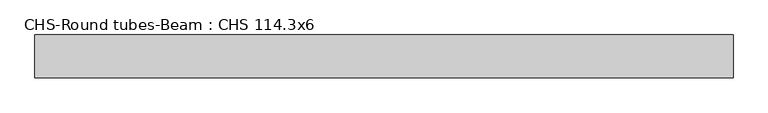
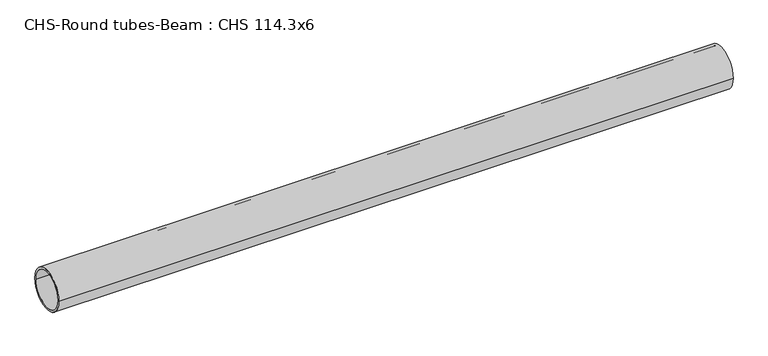
"""IFC4 building model written with IfcOpenShell, lengths in millimetres: beam geometry, CHS-Round tubes-Beam : CHS 114.3x6."""

from ifc_helpers import new_model, si_unit, point, frame, origin, origin_2d, place, context, project, spatial, circle_curve, trimmed, segment, composite_curve, outline, extrude, source, transform, mapped, element, save


def chs_round_tubes_beam_chs_114_3x6_35f76373(model_context):
    return source(origin(), model_context, "Body", "SweptSolid", [
        extrude(outline(composite_curve([segment(trimmed(circle_curve(origin_2d(), 57.15), [point((57.15, 0.0))], [point((-57.15, 0.0))], False, "CARTESIAN"), True, "CONTINUOUS"), segment(trimmed(circle_curve(origin_2d(), 57.15), [point((-57.15, 0.0))], [point((57.15, 0.0))], False, "CARTESIAN"), True, "CONTINUOUS")], self_intersect=False), holes=[composite_curve([segment(trimmed(circle_curve(origin_2d(), 51.15), [point((51.15, 0.0))], [point((-51.15, 0.0))], True, "CARTESIAN"), True, "CONTINUOUS"), segment(trimmed(circle_curve(origin_2d(), 51.15), [point((-51.15, 0.0))], [point((51.15, 0.0))], True, "CARTESIAN"), True, "CONTINUOUS")], self_intersect=False)]), frame((-939.1141593, 0.0, 0.0), z_axis=(1.0, 0.0, 0.0), x_axis=(0.0, 1.0, 0.0)), (0.0, 0.0, 1.0), 1863.2715483),
    ])


if __name__ == "__main__":
    model = new_model("IFC4")
    model_context = context("Model", 3, world=origin())
    ifc_project = project(units=[si_unit("LENGTHUNIT", "METRE", prefix="MILLI")], contexts=[model_context])
    site = spatial("IfcSite", under=ifc_project)
    building = spatial("IfcBuilding", under=site)
    placement = place(None, origin())
    chs_round_tubes_beam_chs_114_3x6_shape = chs_round_tubes_beam_chs_114_3x6_35f76373(model_context)
    element("IfcBeam", 1, ObjectType="CHS-Round tubes-Beam : CHS 114.3x6", at=placement, inside=building, context=model_context, shape_type="MappedRepresentation", body=[
        mapped(chs_round_tubes_beam_chs_114_3x6_shape, transform((0.0, 0.0, 0.0), x_axis=(1.0, 0.0, 0.0), y_axis=(0.0, 1.0, 0.0), z_axis=(0.0, 0.0, 1.0))),
    ])
    save(model, "model.ifc")
